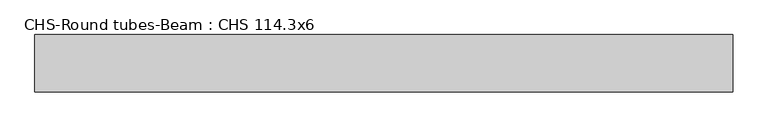
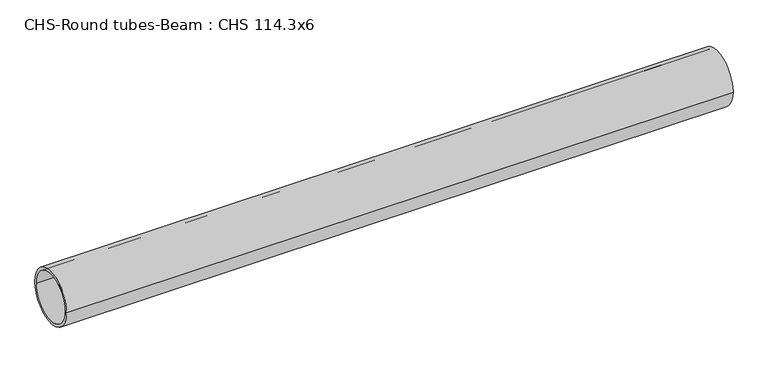
"""IFC4 building model written with IfcOpenShell, lengths in millimetres: beam geometry, CHS-Round tubes-Beam : CHS 114.3x6."""

import ifcopenshell
import ifcopenshell.guid

model = None  # the IFC model being written
_history = None  # IfcOwnerHistory: only IFC2X3 demands one
_inside = {}  # id of a spatial element -> (the spatial element, [elements in it])
_under = {}  # id of a project, library or spatial element -> (it, [spatial elements below it])
_declared = {}  # id of a project -> (the project, [libraries it declares])
_typed = {}  # id of a type object -> (the type object, [elements of that type])
_made_of = {}  # id of a material, layer set ... -> (it, [elements and type objects made of it])


def new_model(schema):
    """Start an empty IFC model of exactly this schema.

    Asked for "IFC4X3", IfcOpenShell would pick the latest addendum, in which some entities
    have other attributes; the version numbers below select the first issue.
    IFC2X3 requires an IfcOwnerHistory on every rooted entity: one is made here for all.
    """
    global model, _history
    if schema == "IFC4X3":
        model = ifcopenshell.file(schema_version=(4, 3, 0, 0))
    else:
        model = ifcopenshell.file(schema=schema)
    _inside.clear()
    _under.clear()
    _declared.clear()
    _typed.clear()
    _made_of.clear()
    _history = None
    if model.schema == "IFC2X3":
        org = make("IfcOrganization", Name="unknown")
        user = make(
            "IfcPersonAndOrganization",
            ThePerson=make("IfcPerson", FamilyName="unknown"),
            TheOrganization=org,
        )
        app = make(
            "IfcApplication",
            ApplicationDeveloper=org,
            Version="unknown",
            ApplicationFullName="unknown",
            ApplicationIdentifier="unknown",
        )
        _history = make(
            "IfcOwnerHistory",
            OwningUser=user,
            OwningApplication=app,
            ChangeAction="ADDED",
            CreationDate=0,
        )
    return model


def make(cls, **values):
    """One entity of the class cls with the attributes given. An attribute that is None is left unset."""
    return model.create_entity(
        cls, **{name: value for name, value in values.items() if value is not None}
    )


def rooted(cls, **values):
    """An entity with a GlobalId (a new one), such as an element, a storey or a relation."""
    return make(cls, GlobalId=ifcopenshell.guid.new(), OwnerHistory=_history, **values)


def si_unit(unit_type, name, prefix=None):
    """IfcSIUnit, for example si_unit("LENGTHUNIT", "METRE", prefix="MILLI")."""
    return make("IfcSIUnit", UnitType=unit_type, Prefix=prefix, Name=name)


def assignment(units):
    """IfcUnitAssignment: the units of a project."""
    return None if units is None else make("IfcUnitAssignment", Units=units)


def point(xyz):
    """IfcCartesianPoint."""
    return None if xyz is None else make("IfcCartesianPoint", Coordinates=xyz)


def direction(xyz):
    """IfcDirection."""
    return None if xyz is None else make("IfcDirection", DirectionRatios=xyz)


def frame(location, z_axis=None, x_axis=None):
    """IfcAxis2Placement3D, a coordinate frame: its origin and axes. An axis left out is left unset."""
    return make(
        "IfcAxis2Placement3D",
        Location=point(location),
        Axis=direction(z_axis),
        RefDirection=direction(x_axis),
    )


def frame_2d(location, x_axis=None):
    """IfcAxis2Placement2D, a coordinate frame in the plane: its origin and x axis."""
    return make(
        "IfcAxis2Placement2D", Location=point(location), RefDirection=direction(x_axis)
    )


def origin():
    """The frame at (0, 0, 0) with its axes left unset."""
    return frame((0.0, 0.0, 0.0))


def origin_2d():
    """The frame at (0, 0) in the plane with its x axis left unset."""
    return frame_2d((0.0, 0.0))


def place(relative_to, where):
    """IfcLocalPlacement: puts the frame where relative to a parent placement (None: the world)."""
    return make(
        "IfcLocalPlacement", PlacementRelTo=relative_to, RelativePlacement=where
    )


def context(
    kind, dimensions, precision=None, world=None, true_north=None, identifier=None
):
    """IfcGeometricRepresentationContext, for example the 3D "Model" context."""
    return make(
        "IfcGeometricRepresentationContext",
        ContextIdentifier=identifier,
        ContextType=kind,
        CoordinateSpaceDimension=dimensions,
        Precision=precision,
        WorldCoordinateSystem=world,
        TrueNorth=true_north,
    )


def project(units=None, contexts=None):
    """IfcProject with its units and contexts."""
    return rooted(
        "IfcProject",
        Name="project",
        RepresentationContexts=contexts,
        UnitsInContext=assignment(units),
    )


def spatial(cls, under=None, at=None, **own):
    """A site, building, storey or space (cls), placed at a placement, below another one or the project."""
    s = rooted(cls, ObjectPlacement=at, **own)
    if under is not None:
        _under.setdefault(under.id(), (under, []))[1].append(s)
    return s


def circle_curve(where, radius):
    """IfcCircle in the frame where."""
    return make("IfcCircle", Position=where, Radius=radius)


def trimmed(basis, trim1, trim2, sense, master):
    """IfcTrimmedCurve: the piece of a basis curve between two trims."""
    return make(
        "IfcTrimmedCurve",
        BasisCurve=basis,
        Trim1=trim1,
        Trim2=trim2,
        SenseAgreement=sense,
        MasterRepresentation=master,
    )


def segment(curve, same_sense, transition):
    """IfcCompositeCurveSegment."""
    return make(
        "IfcCompositeCurveSegment",
        Transition=transition,
        SameSense=same_sense,
        ParentCurve=curve,
    )


def composite_curve(segments, self_intersect=None):
    """IfcCompositeCurve: segments joined end to end."""
    return make("IfcCompositeCurve", Segments=segments, SelfIntersect=self_intersect)


def outline(outer, holes=None, kind="AREA"):
    """IfcArbitraryClosedProfileDef: a profile drawn as a closed curve; with holes, ...WithVoids."""
    if holes is None:
        return make("IfcArbitraryClosedProfileDef", ProfileType=kind, OuterCurve=outer)
    return make(
        "IfcArbitraryProfileDefWithVoids",
        ProfileType=kind,
        OuterCurve=outer,
        InnerCurves=holes,
    )


def extrude(swept, where, along, depth):
    """IfcExtrudedAreaSolid: the profile swept, set in the frame where, extruded along a direction by depth."""
    return make(
        "IfcExtrudedAreaSolid",
        SweptArea=swept,
        Position=where,
        ExtrudedDirection=direction(along),
        Depth=depth,
    )


def shape(context_of_items, identifier, shape_type, items):
    """IfcShapeRepresentation: the items that make up one representation, for example the "Body"."""
    return make(
        "IfcShapeRepresentation",
        ContextOfItems=context_of_items,
        RepresentationIdentifier=identifier,
        RepresentationType=shape_type,
        Items=items,
    )


def source(mapping_origin, context_of_items, identifier, shape_type, items):
    """IfcRepresentationMap: a shape defined once, which mapped items show again and again."""
    return make(
        "IfcRepresentationMap",
        MappingOrigin=mapping_origin,
        MappedRepresentation=shape(context_of_items, identifier, shape_type, items),
    )


def transform(
    local_origin,
    x_axis=None,
    y_axis=None,
    z_axis=None,
    scale=None,
    scale2=None,
    scale3=None,
    uniform=True,
):
    """IfcCartesianTransformationOperator3D, or its non-uniform kind. x_axis, y_axis, z_axis: its Axis1, 2, 3."""
    if uniform:
        return make(
            "IfcCartesianTransformationOperator3D",
            Axis1=direction(x_axis),
            Axis2=direction(y_axis),
            LocalOrigin=point(local_origin),
            Scale=scale,
            Axis3=direction(z_axis),
        )
    return make(
        "IfcCartesianTransformationOperator3DnonUniform",
        Axis1=direction(x_axis),
        Axis2=direction(y_axis),
        LocalOrigin=point(local_origin),
        Scale=scale,
        Axis3=direction(z_axis),
        Scale2=scale2,
        Scale3=scale3,
    )


def mapped(mapping_source, mapping_target):
    """IfcMappedItem: shows the shape of a source again, moved by a transform."""
    return make(
        "IfcMappedItem", MappingSource=mapping_source, MappingTarget=mapping_target
    )


def made_of(thing, what):
    """Note that an element or type object is made of a material, layer set ...; save() writes the relation."""
    if what is not None:
        _made_of.setdefault(what.id(), (what, []))[1].append(thing)
    return thing


def element(
    cls,
    number,
    at=None,
    inside=None,
    cuts=None,
    type_object=None,
    material=None,
    context=None,
    identifier="Body",
    shape_type=None,
    held_by="IfcProductDefinitionShape",
    body=None,
    shapes=None,
    **own,
):
    """One element of the class cls, such as IfcWall. Its Tag is "e" and its number.

    at: its placement. inside: the storey or other place that contains it. cuts: it is an
    opening in that element (IfcRelVoidsElement). A single representation is given by context,
    identifier, shape_type and body (its items); several are given by shapes. held_by: the class
    of the entity that holds the representations. save() writes the other relations.
    """
    e = rooted(cls, Tag="e%d" % number, ObjectPlacement=at, **own)
    if body is not None:
        shapes = [shape(context, identifier, shape_type, body)]
    if shapes is not None:
        e.Representation = make(held_by, Representations=shapes)
    if inside is not None:
        _inside.setdefault(inside.id(), (inside, []))[1].append(e)
    if cuts is not None:
        rooted(
            "IfcRelVoidsElement", RelatingBuildingElement=cuts, RelatedOpeningElement=e
        )
    if type_object is not None:
        _typed.setdefault(type_object.id(), (type_object, []))[1].append(e)
    return made_of(e, material)


def aggregate(whole, parts):
    """IfcRelAggregates: a whole, such as a stair, and the parts it consists of."""
    return rooted("IfcRelAggregates", RelatingObject=whole, RelatedObjects=parts)


def save(model, path):
    """Write the relations noted so far, then the file.

    IfcRelAggregates (storeys below a building ...), IfcRelContainedInSpatialStructure (elements
    in a storey), IfcRelDefinesByType, IfcRelAssociatesMaterial and IfcRelDeclares: one each for
    every whole, place, type object, material and project.
    """
    for whole, parts in _under.values():
        aggregate(whole, parts)
    for where, things in _inside.values():
        rooted(
            "IfcRelContainedInSpatialStructure",
            RelatedElements=things,
            RelatingStructure=where,
        )
    for kind, things in _typed.values():
        rooted("IfcRelDefinesByType", RelatedObjects=things, RelatingType=kind)
    for what, things in _made_of.values():
        rooted("IfcRelAssociatesMaterial", RelatedObjects=things, RelatingMaterial=what)
    for by, libraries in _declared.values():
        rooted("IfcRelDeclares", RelatingContext=by, RelatedDefinitions=libraries)
    model.write(path)


def chs_round_tubes_beam_chs_114_3x6_1808f083(model_context):
    return source(origin(), model_context, "Body", "SweptSolid", [
        extrude(outline(composite_curve([segment(trimmed(circle_curve(origin_2d(), 57.15), [point((57.15, 0.0))], [point((-57.15, 0.0))], False, "CARTESIAN"), True, "CONTINUOUS"), segment(trimmed(circle_curve(origin_2d(), 57.15), [point((-57.15, 0.0))], [point((57.15, 0.0))], False, "CARTESIAN"), True, "CONTINUOUS")], self_intersect=False), holes=[composite_curve([segment(trimmed(circle_curve(origin_2d(), 51.15), [point((51.15, 0.0))], [point((-51.15, 0.0))], True, "CARTESIAN"), True, "CONTINUOUS"), segment(trimmed(circle_curve(origin_2d(), 51.15), [point((-51.15, 0.0))], [point((51.15, 0.0))], True, "CARTESIAN"), True, "CONTINUOUS")], self_intersect=False)]), frame((-772.7373389, 0.0, 0.0), z_axis=(1.0, 0.0, 0.0), x_axis=(0.0, 1.0, 0.0)), (0.0, 0.0, 1.0), 1392.4996522),
    ])


if __name__ == "__main__":
    model = new_model("IFC4")
    model_context = context("Model", 3, world=origin())
    ifc_project = project(units=[si_unit("LENGTHUNIT", "METRE", prefix="MILLI")], contexts=[model_context])
    site = spatial("IfcSite", under=ifc_project)
    building = spatial("IfcBuilding", under=site)
    placement = place(None, origin())
    chs_round_tubes_beam_chs_114_3x6_shape = chs_round_tubes_beam_chs_114_3x6_1808f083(model_context)
    element("IfcBeam", 1, ObjectType="CHS-Round tubes-Beam : CHS 114.3x6", at=placement, inside=building, context=model_context, shape_type="MappedRepresentation", body=[
        mapped(chs_round_tubes_beam_chs_114_3x6_shape, transform((0.0, 0.0, 0.0), x_axis=(1.0, 0.0, 0.0), y_axis=(0.0, 1.0, 0.0), z_axis=(0.0, 0.0, 1.0))),
    ])
    save(model, "model.ifc")
